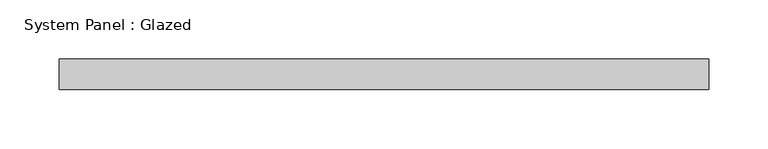
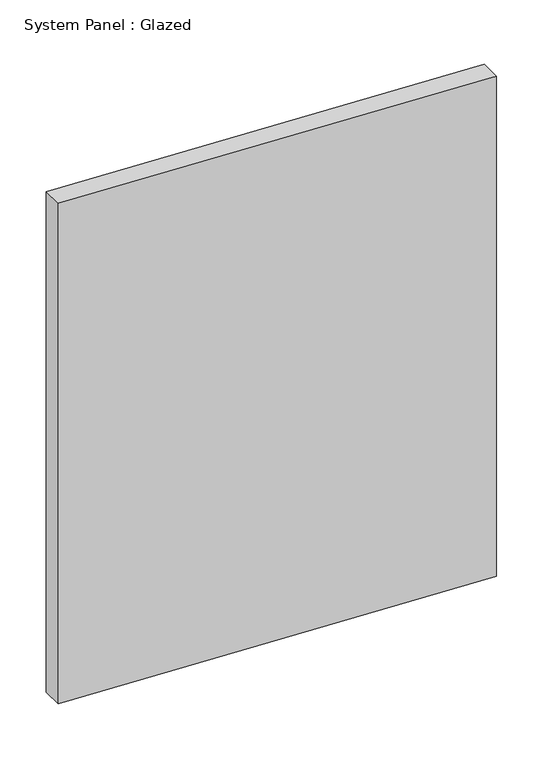
"""IFC4 building model written with IfcOpenShell, lengths in millimetres: plate geometry, System Panel : Glazed."""

from ifc_helpers import new_model, si_unit, frame, origin, place, context, project, spatial, polyline, outline, extrude, source, transform, mapped, element, save


def system_panel_glazed_8c6f46c7(model_context):
    return source(origin(), model_context, "Body", "SweptSolid", [
        extrude(outline(polyline([(23.5563669, -273.05), (0.0, 273.05), (658.6454198, 273.05), (682.4156828, -273.05), (23.5563669, -273.05)])), frame((0.0, 19.05, 0.0), z_axis=(0.0, 1.0, 0.0), x_axis=(0.0, 0.0, 1.0)), (0.0, 0.0, 1.0), 25.4),
    ])


if __name__ == "__main__":
    model = new_model("IFC4")
    model_context = context("Model", 3, world=origin())
    ifc_project = project(units=[si_unit("LENGTHUNIT", "METRE", prefix="MILLI")], contexts=[model_context])
    site = spatial("IfcSite", under=ifc_project)
    building = spatial("IfcBuilding", under=site)
    placement = place(None, origin())
    system_panel_glazed_shape = system_panel_glazed_8c6f46c7(model_context)
    element("IfcPlate", 1, ObjectType="System Panel : Glazed", at=placement, inside=building, context=model_context, shape_type="MappedRepresentation", body=[
        mapped(system_panel_glazed_shape, transform((0.0, 0.0, 0.0), x_axis=(1.0, 0.0, 0.0), y_axis=(0.0, 1.0, 0.0), z_axis=(0.0, 0.0, 1.0))),
    ])
    save(model, "model.ifc")
